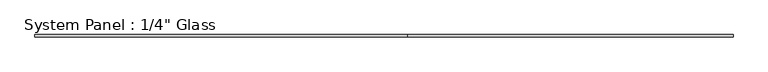
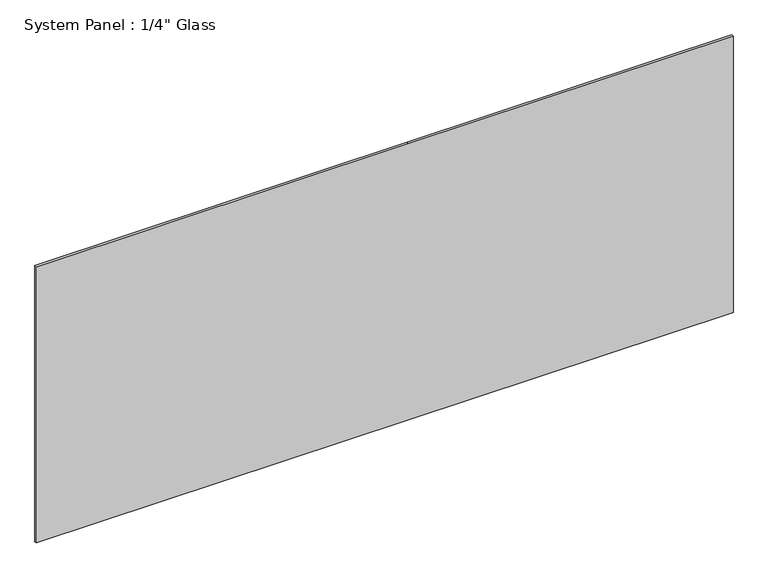
"""IFC4 building model written with IfcOpenShell, lengths in millimetres: plate geometry."""

from ifc_helpers import new_model, si_unit, frame, origin, place, context, project, spatial, polyline, outline, extrude, source, transform, mapped, element, save


def plate_d116783c(model_context):
    return source(origin(), model_context, "Body", "SweptSolid", [
        extrude(outline(polyline([(0.0, -927.5341185), (0.0, 63.0658815), (0.0, 927.5341185), (777.875, 927.5341185), (777.875, 63.0658815), (777.875, -927.5341185), (0.0, -927.5341185)])), frame((0.0, -3.175, 0.0), z_axis=(0.0, 1.0, 0.0), x_axis=(0.0, 0.0, 1.0)), (0.0, 0.0, 1.0), 6.35),
    ])


if __name__ == "__main__":
    model = new_model("IFC4")
    model_context = context("Model", 3, world=origin())
    ifc_project = project(units=[si_unit("LENGTHUNIT", "METRE", prefix="MILLI")], contexts=[model_context])
    site = spatial("IfcSite", under=ifc_project)
    building = spatial("IfcBuilding", under=site)
    placement = place(None, origin())
    plate_shape = plate_d116783c(model_context)
    element("IfcPlate", 1, ObjectType="System Panel : 1/4\" Glass", at=placement, inside=building, context=model_context, shape_type="MappedRepresentation", body=[
        mapped(plate_shape, transform((0.0, 0.0, 0.0), x_axis=(1.0, 0.0, 0.0), y_axis=(0.0, 1.0, 0.0), z_axis=(0.0, 0.0, 1.0))),
    ])
    save(model, "model.ifc")
